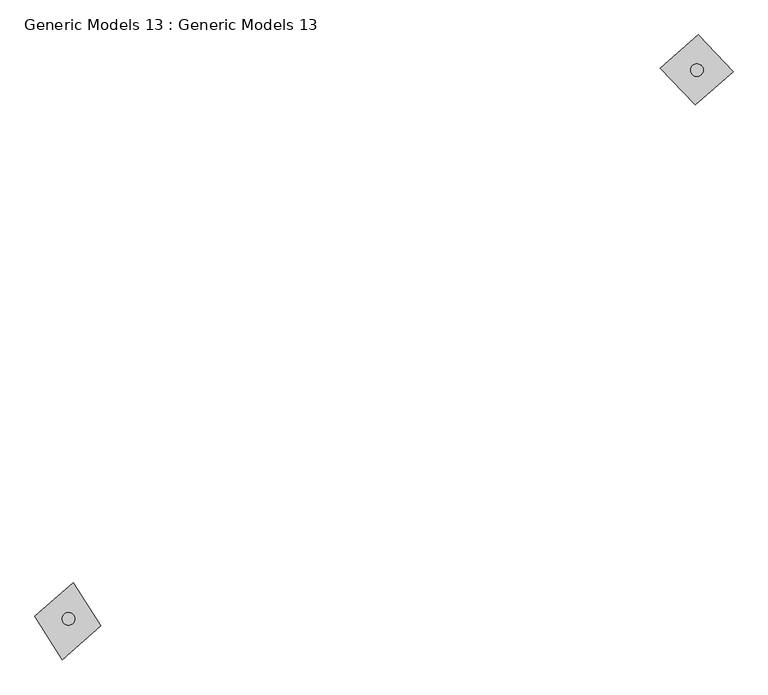
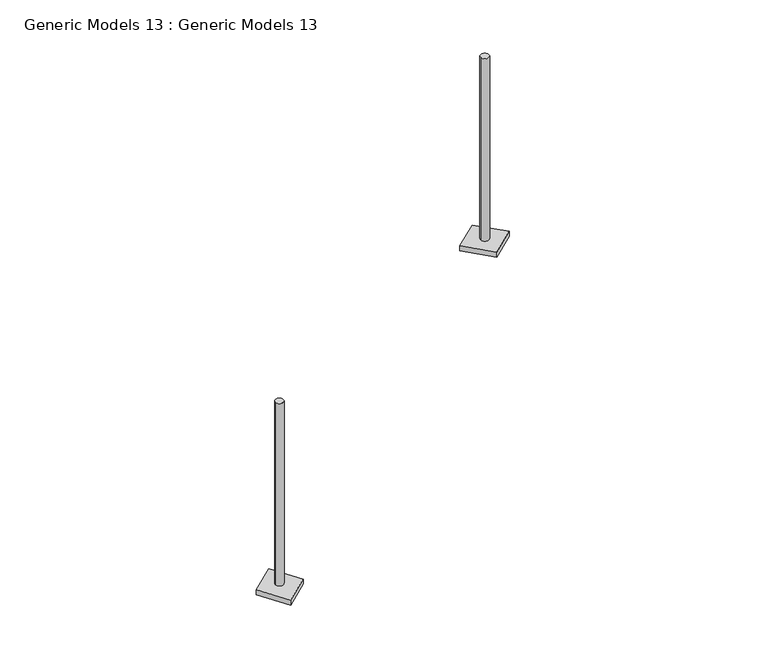
"""IFC4 building model written with IfcOpenShell, lengths in millimetres: proxy geometry, Generic Models 13 : Generic Models 13."""

from ifc_helpers import new_model, si_unit, point, frame, frame_2d, origin, place, context, project, spatial, polyline, circle_curve, trimmed, segment, composite_curve, outline, extrude, source, transform, mapped, element, save


def generic_models_13_generic_models_13_c7019253(model_context):
    return source(origin(), model_context, "Body", "SweptSolid", [
        extrude(outline(composite_curve([segment(trimmed(circle_curve(frame_2d((-199189.0088031, -21887.6949307)), 200.0), [point((-199389.0088031, -21887.6949307))], [point((-198989.0088031, -21887.6949307))], False, "CARTESIAN"), True, "CONTINUOUS"), segment(trimmed(circle_curve(frame_2d((-199189.0088031, -21887.6949307)), 200.0), [point((-198989.0088031, -21887.6949307))], [point((-199389.0088031, -21887.6949307))], False, "CARTESIAN"), True, "CONTINUOUS")], self_intersect=False)), frame((0.0, 0.0, 17580.0), z_axis=(0.0, 0.0, 1.0), x_axis=(1.0, 0.0, 0.0)), (0.0, 0.0, 1.0), 9268.332937),
        extrude(outline(composite_curve([segment(trimmed(circle_curve(frame_2d((-179283.2858178, -4501.8454068)), 200.0), [point((-179483.2858178, -4501.8454068))], [point((-179083.2858178, -4501.8454068))], False, "CARTESIAN"), True, "CONTINUOUS"), segment(trimmed(circle_curve(frame_2d((-179283.2858178, -4501.8454068)), 200.0), [point((-179083.2858178, -4501.8454068))], [point((-179483.2858178, -4501.8454068))], False, "CARTESIAN"), True, "CONTINUOUS")], self_intersect=False)), frame((0.0, 0.0, 17580.0), z_axis=(0.0, 0.0, 1.0), x_axis=(1.0, 0.0, 0.0)), (0.0, 0.0, 1.0), 9268.332937),
        extrude(outline(polyline([(-199386.8320857, -23177.2092779), (-200250.7151201, -21806.7839649), (-199032.4831013, -20738.9496221), (-198168.6000668, -22109.374935), (-199386.8320857, -23177.2092779)])), frame((0.0, 0.0, 17330.0), z_axis=(0.0, 0.0, 1.0), x_axis=(1.0, 0.0, 0.0)), (0.0, 0.0, 1.0), 250.0),
        extrude(outline(polyline([(-179339.0638816, -5604.4521564), (-180443.0224186, -4444.4636589), (-179238.8114498, -3388.9193877), (-178134.8529127, -4548.9078852), (-179339.0638816, -5604.4521564)])), frame((0.0, 0.0, 17330.0), z_axis=(0.0, 0.0, 1.0), x_axis=(1.0, 0.0, 0.0)), (0.0, 0.0, 1.0), 250.0),
    ])


if __name__ == "__main__":
    model = new_model("IFC4")
    model_context = context("Model", 3, world=origin())
    ifc_project = project(units=[si_unit("LENGTHUNIT", "METRE", prefix="MILLI")], contexts=[model_context])
    site = spatial("IfcSite", under=ifc_project)
    building = spatial("IfcBuilding", under=site)
    placement = place(None, origin())
    generic_models_13_generic_models_13_shape = generic_models_13_generic_models_13_c7019253(model_context)
    element("IfcBuildingElementProxy", 1, Name="Generic Models 13 : Generic Models 13", ObjectType="Generic Models 13 : Generic Models 13", at=placement, inside=building, context=model_context, shape_type="MappedRepresentation", body=[
        mapped(generic_models_13_generic_models_13_shape, transform((0.0, 0.0, 0.0), x_axis=(1.0, 0.0, 0.0), y_axis=(0.0, 1.0, 0.0), z_axis=(0.0, 0.0, 1.0))),
    ])
    save(model, "model.ifc")
